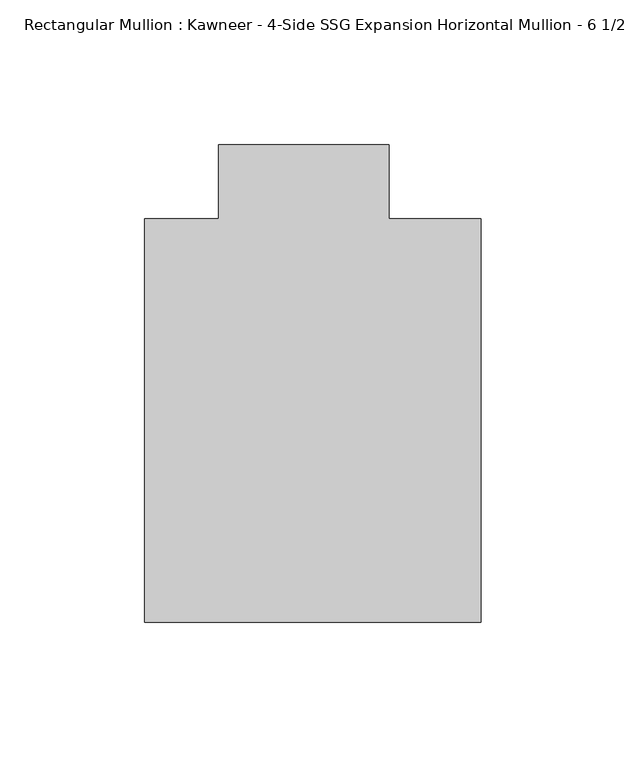
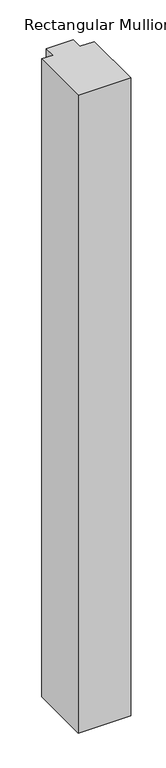
"""IFC4 building model written with IfcOpenShell, lengths in millimetres: member geometry."""

from ifc_helpers import new_model, si_unit, frame, origin, place, context, project, spatial, polyline, outline, extrude, source, transform, mapped, element, save


def member_6ae8c306(model_context):
    return source(origin(), model_context, "Body", "SweptSolid", [
        extrude(outline(polyline([(-62.2957636, -151.892), (-62.2957636, -12.7), (-36.8958768, -12.7), (-36.8958768, 12.7), (21.8651592, 12.7), (21.8651592, -12.7), (53.615046, -12.7), (53.615046, -151.892), (-62.2957636, -151.892)])), frame((0.0, 0.0, -1484.608135), z_axis=(0.0, 0.0, 1.0), x_axis=(1.0, 0.0, 0.0)), (0.0, 0.0, 1.0), 1484.608135),
    ])


if __name__ == "__main__":
    model = new_model("IFC4")
    model_context = context("Model", 3, world=origin())
    ifc_project = project(units=[si_unit("LENGTHUNIT", "METRE", prefix="MILLI")], contexts=[model_context])
    site = spatial("IfcSite", under=ifc_project)
    building = spatial("IfcBuilding", under=site)
    placement = place(None, origin())
    member_shape = member_6ae8c306(model_context)
    element("IfcMember", 1, ObjectType="Rectangular Mullion : Kawneer - 4-Side SSG Expansion Horizontal Mullion - 6 1/2\"", at=placement, inside=building, context=model_context, shape_type="MappedRepresentation", body=[
        mapped(member_shape, transform((0.0, 0.0, 0.0), x_axis=(1.0, 0.0, 0.0), y_axis=(0.0, 1.0, 0.0), z_axis=(0.0, 0.0, 1.0))),
    ])
    save(model, "model.ifc")
